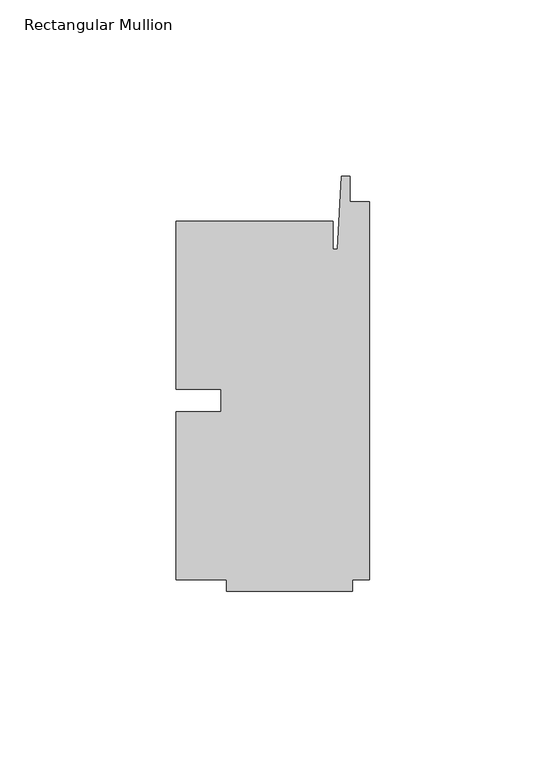
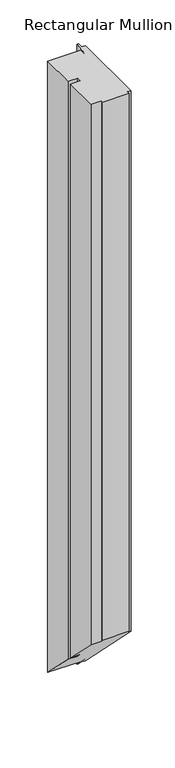
"""IFC4 building model written with IfcOpenShell, lengths in millimetres: member geometry, Rectangular Mullion."""

from ifc_helpers import new_model, si_unit, origin, place, context, project, spatial, faceted_brep, source, transform, mapped, element, save


def rectangular_mullion_505fe1b3(model_context):
    return source(origin(), model_context, "Body", "Brep", [
        faceted_brep([(-42.06875, -3.175, 0.0), (-54.76875, -3.175, 0.0), (-54.76875, -50.8, 0.0), (-40.48125, -50.8, 0.0), (-40.48125, -53.975, 0.0), (-4.7625, -53.975, 0.0), (-4.7625, -50.8, 0.0), (0.0, -50.8, 0.0), (0.0, 56.35625, 0.0), (-5.55625, 56.35625, 0.0), (-5.55625, 63.5, 0.0), (-7.9375, 63.5, 0.0), (-9.0190655, 42.8625, 0.0), (-10.31875, 42.8625, 0.0), (-10.31875, 50.8, 0.0), (-54.76875, 50.8, 0.0), (-54.76875, 3.175, 0.0), (-42.06875, 3.175, 0.0), (-42.06875, -3.175, -823.3833333), (-54.76875, -3.175, -823.3833333), (-54.76875, -50.8, -775.7583333), (-40.48125, -50.8, -775.7583333), (-40.48125, -53.975, -772.5833333), (-4.7625, -53.975, -772.5833333), (-4.7625, -50.8, -775.7583333), (0.0, -50.8, -775.7583333), (0.0, 56.35625, -882.9145833), (-5.55625, 56.35625, -882.9145833), (-5.55625, 63.5, -890.0583333), (-7.9375, 63.5, -890.0583333), (-9.0190655, 42.8625, -869.4208333), (-10.31875, 42.8625, -869.4208333), (-10.31875, 50.8, -877.3583333), (-54.76875, 50.8, -877.3583333), (-54.76875, 3.175, -829.7333333), (-42.06875, 3.175, -829.7333333)], [[[0, 1, 2, 3, 4, 5, 6, 7, 8, 9, 10, 11, 12, 13, 14, 15, 16, 17]], [[1, 0, 18, 19]], [[2, 1, 19, 20]], [[3, 2, 20, 21]], [[4, 3, 21, 22]], [[5, 4, 22, 23]], [[6, 5, 23, 24]], [[7, 6, 24, 25]], [[8, 7, 25, 26]], [[9, 8, 26, 27]], [[10, 9, 27, 28]], [[11, 10, 28, 29]], [[12, 11, 29, 30]], [[13, 12, 30, 31]], [[14, 13, 31, 32]], [[15, 14, 32, 33]], [[16, 15, 33, 34]], [[17, 16, 34, 35]], [[0, 17, 35, 18]], [[18, 35, 34, 33, 32, 31, 30, 29, 28, 27, 26, 25, 24, 23, 22, 21, 20, 19]]]),
    ])


if __name__ == "__main__":
    model = new_model("IFC4")
    model_context = context("Model", 3, world=origin())
    ifc_project = project(units=[si_unit("LENGTHUNIT", "METRE", prefix="MILLI")], contexts=[model_context])
    site = spatial("IfcSite", under=ifc_project)
    building = spatial("IfcBuilding", under=site)
    placement = place(None, origin())
    rectangular_mullion_shape = rectangular_mullion_505fe1b3(model_context)
    element("IfcMember", 1, ObjectType="Rectangular Mullion", at=placement, inside=building, context=model_context, shape_type="MappedRepresentation", body=[
        mapped(rectangular_mullion_shape, transform((0.0, 0.0, 0.0), x_axis=(1.0, 0.0, 0.0), y_axis=(0.0, 1.0, 0.0), z_axis=(0.0, 0.0, 1.0))),
    ])
    save(model, "model.ifc")
